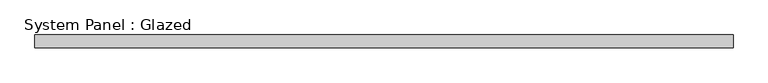
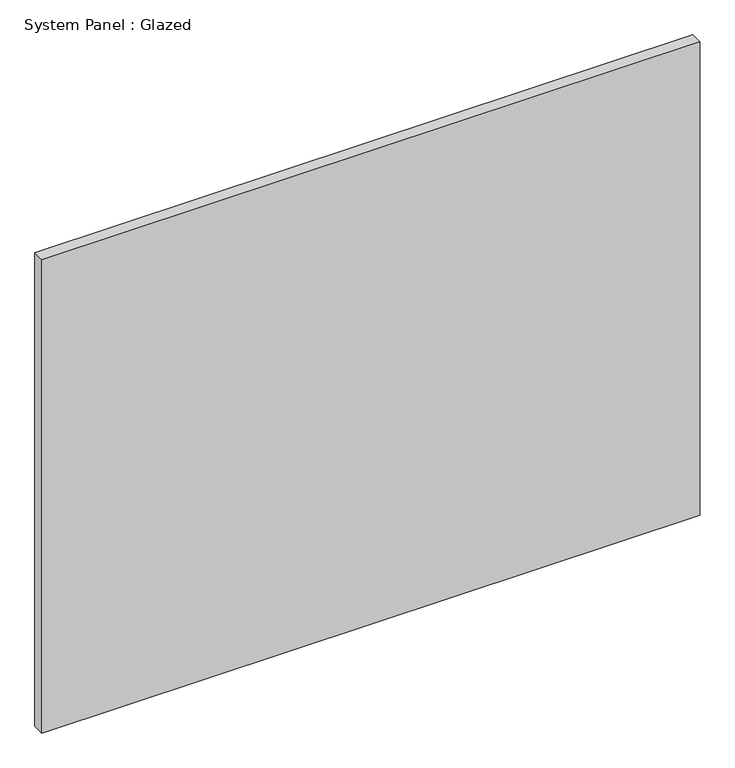
"""IFC4 building model written with IfcOpenShell, lengths in millimetres: plate geometry, System Panel : Glazed."""

from ifc_helpers import new_model, si_unit, origin, origin_with_axes, place, context, project, spatial, polyline, outline, extrude, source, transform, mapped, element, save


def system_panel_glazed_3271a493(model_context):
    return source(origin(), model_context, "Body", "SweptSolid", [
        extrude(outline(polyline([(673.9285714, 24.5), (-673.9285714, 24.5), (-673.9285714, 49.5), (673.9285714, 49.5), (673.9285714, 24.5)])), origin_with_axes(), (0.0, 0.0, 1.0), 1025.0),
    ])


if __name__ == "__main__":
    model = new_model("IFC4")
    model_context = context("Model", 3, world=origin())
    ifc_project = project(units=[si_unit("LENGTHUNIT", "METRE", prefix="MILLI")], contexts=[model_context])
    site = spatial("IfcSite", under=ifc_project)
    building = spatial("IfcBuilding", under=site)
    placement = place(None, origin())
    system_panel_glazed_shape = system_panel_glazed_3271a493(model_context)
    element("IfcPlate", 1, ObjectType="System Panel : Glazed", at=placement, inside=building, context=model_context, shape_type="MappedRepresentation", body=[
        mapped(system_panel_glazed_shape, transform((0.0, 0.0, 0.0), x_axis=(1.0, 0.0, 0.0), y_axis=(0.0, 1.0, 0.0), z_axis=(0.0, 0.0, 1.0))),
    ])
    save(model, "model.ifc")
